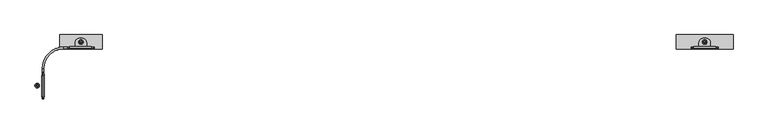
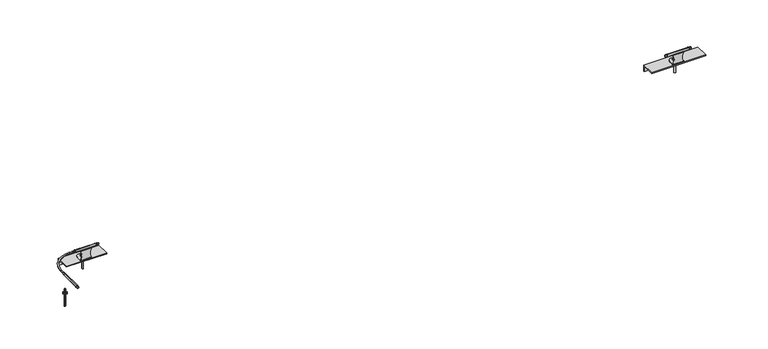
"""IFC4 building model written with IfcOpenShell, lengths in millimetres: proxy geometry."""

from ifc_helpers import new_model, si_unit, point, frame, frame_2d, origin, place, context, project, spatial, polyline, circle_curve, ellipse_curve, trimmed, segment, composite_curve, outline, extrude, source, transform, mapped, element, save
from ifc_brep_helpers import plane_surface, cylinder_surface, revolved_surface, advanced_brep


def specialty_equipment_e9bf692a(model_context):
    return source(origin(), model_context, "Body", "SolidModel", [
        advanced_brep(
        [(92.5, -361.4999054, 1795.0), (92.5, -361.4999054, 1805.0), (92.5, -171.5000946, 1805.0), (92.5, -171.5000946, 1795.0), (92.5, -190.4058632, 1807.2256681), (92.5, -190.4058632, 1792.7743319), (92.5, -195.082539, 1792.5), (92.5, -195.082539, 1807.5), (92.5, -344.8711836, 1807.5), (92.5, -344.8711836, 1792.5), (92.5, -352.5726269, 1793.2484042), (92.5, -352.5726269, 1806.7515958)],
        [
            (0, 1, circle_curve(frame((92.5, -361.4999054, 1800.0), z_axis=(0.0, -1.0, 0.0), x_axis=(0.0, 0.0, 1.0)), 5.0)),
            (1, 2),
            (2, 3, circle_curve(frame((92.5, -171.5000946, 1800.0), z_axis=(0.0, 1.0, 0.0), x_axis=(0.0, 0.0, 1.0)), 5.0)),
            (3, 0),
            (2, 4),
            (4, 5, circle_curve(frame((92.5, -190.4058632, 1800.0), z_axis=(0.0, 1.0, 0.0), x_axis=(0.0, 0.0, 1.0)), 7.2256681)),
            (5, 3),
            (6, 7, circle_curve(frame((92.5, -195.082539, 1800.0), z_axis=(0.0, -1.0, 0.0), x_axis=(0.0, 0.0, 1.0)), 7.5)),
            (7, 8),
            (8, 9, circle_curve(frame((92.5, -344.8711836, 1800.0), z_axis=(0.0, 1.0, 0.0), x_axis=(0.0, 0.0, 1.0)), 7.5)),
            (9, 6),
            (10, 11, circle_curve(frame((92.5, -352.5726269, 1800.0), z_axis=(0.0, -1.0, 0.0), x_axis=(0.0, 0.0, 1.0)), 6.7515958)),
            (11, 1),
            (0, 10),
            (4, 7, circle_curve(frame((92.5, -195.082539, 1767.5), z_axis=(1.0, 0.0, 0.0), x_axis=(0.0, 0.0, -1.0)), 40.0)),
            (6, 5, circle_curve(frame((92.5, -195.082539, 1832.5), z_axis=(1.0, 0.0, 0.0), x_axis=(0.0, 0.0, 1.0)), 40.0)),
            (8, 11, circle_curve(frame((92.5, -344.8711836, 1767.5), z_axis=(1.0, 0.0, 0.0), x_axis=(0.0, 0.0, -1.0)), 40.0)),
            (10, 9, circle_curve(frame((92.5, -344.8711836, 1832.5), z_axis=(1.0, 0.0, 0.0), x_axis=(0.0, 0.0, 1.0)), 40.0)),
            (1, 0, circle_curve(frame((92.5, -361.4999054, 1800.0), z_axis=(0.0, -1.0, 0.0), x_axis=(0.0, 0.0, 1.0)), 5.0)),
            (3, 2, circle_curve(frame((92.5, -171.5000946, 1800.0), z_axis=(0.0, 1.0, 0.0), x_axis=(0.0, 0.0, 1.0)), 5.0)),
            (5, 4, circle_curve(frame((92.5, -190.4058632, 1800.0), z_axis=(0.0, 1.0, 0.0), x_axis=(0.0, 0.0, 1.0)), 7.2256681)),
            (7, 6, circle_curve(frame((92.5, -195.082539, 1800.0), z_axis=(0.0, -1.0, 0.0), x_axis=(0.0, 0.0, 1.0)), 7.5)),
            (9, 8, circle_curve(frame((92.5, -344.8711836, 1800.0), z_axis=(0.0, 1.0, 0.0), x_axis=(0.0, 0.0, 1.0)), 7.5)),
            (11, 10, circle_curve(frame((92.5, -352.5726269, 1800.0), z_axis=(0.0, -1.0, 0.0), x_axis=(0.0, 0.0, 1.0)), 6.7515958)),
        ],
        [
            revolved_surface(polyline([(92.5, -171.5000946, 1805.0), (92.5, -361.4999054, 1805.0)]), (92.5, -361.5, 1800.0), (0.0, 1.0, 0.0)),
            revolved_surface(polyline([(92.5, -190.4058632, 1807.2256681), (92.5, -171.5000946, 1805.0)]), (92.5, -361.5, 1800.0), (0.0, 1.0, 0.0)),
            cylinder_surface(frame((92.5, -361.5, 1800.0), z_axis=(0.0, 1.0, 0.0), x_axis=(0.0, 0.0, 1.0)), 7.5),
            revolved_surface(polyline([(92.5, -361.4999054, 1805.0), (92.5, -352.5726269, 1806.7515958)]), (92.5, -361.5, 1800.0), (0.0, 1.0, 0.0)),
            revolved_surface(trimmed(ellipse_curve(frame((92.5, -195.082539, 1767.5), z_axis=(-1.0, 0.0, 0.0), x_axis=(0.0, 0.0, -1.0)), 40.0, 40.0), [point((92.5, -195.082539, 1807.5))], [point((92.5, -190.4058632, 1807.2256681))], True, "CARTESIAN"), (92.5, -361.5, 1800.0), (0.0, 1.0, 0.0)),
            revolved_surface(trimmed(ellipse_curve(frame((92.5, -344.8711836, 1767.5), z_axis=(-1.0, 0.0, 0.0), x_axis=(0.0, 0.0, -1.0)), 40.0, 40.0), [point((92.5, -352.5726269, 1806.7515958))], [point((92.5, -344.8711836, 1807.5))], True, "CARTESIAN"), (92.5, -361.5, 1800.0), (0.0, 1.0, 0.0)),
        ],
        [
            (0, [[1, 2, 3, 4]]),
            (1, [[-3, 5, 6, 7]]),
            (2, [[8, 9, 10, 11]]),
            (3, [[12, 13, -1, 14]]),
            (4, [[-6, 15, -8, 16]]),
            (5, [[-10, 17, -12, 18]]),
            (0, [[19, -4, 20, -2]]),
            (1, [[-20, -7, 21, -5]]),
            (2, [[22, -11, 23, -9]]),
            (3, [[24, -14, -19, -13]]),
            (4, [[-21, -16, -22, -15]]),
            (5, [[-23, -18, -24, -17]]),
        ],
    ),
        extrude(outline(polyline([(51.3621625, -274.5829038), (44.3621625, -270.5414519), (44.3621625, -262.4585481), (51.3621625, -258.4170962), (58.3621625, -262.4585481), (58.3621625, -270.5414519), (51.3621625, -274.5829038)]), holes=[composite_curve([segment(trimmed(circle_curve(frame_2d((51.3621625, -266.5)), 6.0), [point((57.3621625, -266.5))], [point((45.3621625, -266.5))], True, "CARTESIAN"), True, "CONTINUOUS"), segment(trimmed(circle_curve(frame_2d((51.3621625, -266.5)), 6.0), [point((45.3621625, -266.5))], [point((57.3621625, -266.5))], True, "CARTESIAN"), True, "CONTINUOUS")], self_intersect=False)]), frame((0.0, 0.0, 1720.0), z_axis=(0.0, 0.0, 1.0), x_axis=(1.0, 0.0, 0.0)), (0.0, 0.0, 1.0), 6.0),
        extrude(outline(composite_curve([segment(trimmed(circle_curve(frame_2d((51.3621625, -266.5)), 9.0), [point((60.3621625, -266.5))], [point((42.3621625, -266.5))], False, "CARTESIAN"), True, "CONTINUOUS"), segment(trimmed(circle_curve(frame_2d((51.3621625, -266.5)), 9.0), [point((42.3621625, -266.5))], [point((60.3621625, -266.5))], False, "CARTESIAN"), True, "CONTINUOUS")], self_intersect=False), holes=[composite_curve([segment(trimmed(circle_curve(frame_2d((51.3621625, -266.5)), 6.0), [point((57.3621625, -266.5))], [point((45.3621625, -266.5))], True, "CARTESIAN"), True, "CONTINUOUS"), segment(trimmed(circle_curve(frame_2d((51.3621625, -266.5)), 6.0), [point((45.3621625, -266.5))], [point((57.3621625, -266.5))], True, "CARTESIAN"), True, "CONTINUOUS")], self_intersect=False)]), frame((0.0, 0.0, 1717.0), z_axis=(0.0, 0.0, 1.0), x_axis=(1.0, 0.0, 0.0)), (0.0, 0.0, 1.0), 3.0),
        extrude(outline(composite_curve([segment(trimmed(circle_curve(frame_2d((51.3621625, -266.5)), 16.0), [point((67.3621625, -266.5))], [point((35.3621625, -266.5))], False, "CARTESIAN"), True, "CONTINUOUS"), segment(trimmed(circle_curve(frame_2d((51.3621625, -266.5)), 16.0), [point((35.3621625, -266.5))], [point((67.3621625, -266.5))], False, "CARTESIAN"), True, "CONTINUOUS")], self_intersect=False), holes=[composite_curve([segment(trimmed(circle_curve(frame_2d((51.3621625, -266.5)), 6.0), [point((57.3621625, -266.5))], [point((45.3621625, -266.5))], True, "CARTESIAN"), True, "CONTINUOUS"), segment(trimmed(circle_curve(frame_2d((51.3621625, -266.5)), 6.0), [point((45.3621625, -266.5))], [point((57.3621625, -266.5))], True, "CARTESIAN"), True, "CONTINUOUS")], self_intersect=False)]), frame((0.0, 0.0, 1714.0), z_axis=(0.0, 0.0, 1.0), x_axis=(1.0, 0.0, 0.0)), (0.0, 0.0, 1.0), 3.0),
        advanced_brep(
        [(51.3621625, -272.5, 1744.5), (51.3621625, -260.5, 1744.5), (51.3621625, -266.5, 1744.5), (51.3621625, -272.5, 1614.5), (51.3621625, -260.5, 1614.5), (51.3621625, -266.5, 1614.5)],
        [
            (0, 1, circle_curve(frame((51.3621625, -266.5, 1744.5), z_axis=(0.0, 0.0, 1.0), x_axis=(0.0, 1.0, 0.0)), 6.0)),
            (1, 2),
            (2, 0),
            (3, 4, circle_curve(frame((51.3621625, -266.5, 1614.5), z_axis=(0.0, 0.0, 1.0), x_axis=(0.0, 1.0, 0.0)), 6.0)),
            (4, 1),
            (0, 3),
            (4, 3, circle_curve(frame((51.3621625, -266.5, 1614.5), z_axis=(0.0, 0.0, 1.0), x_axis=(0.0, 1.0, 0.0)), 6.0)),
            (0, 1, circle_curve(frame((51.3621625, -266.5, 1744.5), z_axis=(0.0, 0.0, -1.0), x_axis=(0.0, 1.0, 0.0)), 6.0)),
            (5, 4),
            (3, 5),
        ],
        [
            plane_surface(frame((51.3621625, -266.5, 1744.5), z_axis=(0.0, 0.0, 1.0), x_axis=(0.0, 1.0, 0.0))),
            cylinder_surface(frame((51.3621625, -266.5, 1663.5), z_axis=(0.0, 0.0, -1.0), x_axis=(0.0, 1.0, 0.0)), 6.0),
            plane_surface(frame((51.3621625, -266.5, 1614.5), z_axis=(0.0, 0.0, -1.0), x_axis=(0.0, 1.0, 0.0))),
        ],
        [
            (0, [[1, 2, 3]]),
            (1, [[4, 5, -1, 6]]),
            (1, [[7, -6, 8, -5]]),
            (0, [[-8, -3, -2]]),
            (2, [[9, -4, 10]]),
            (2, [[-10, -7, -9]]),
        ],
    ),
        advanced_brep(
        [(87.5, -146.5000946, 1800.0), (97.5, -146.5000946, 1800.0), (97.5, -171.5000946, 1800.0), (87.5, -171.5000946, 1800.0), (264.0001892, -5.0, 1800.0), (264.0001892, 5.0, 1800.0), (239.0000946, 5.0, 1800.0), (239.0000946, -5.0, 1800.0)],
        [
            (0, 1, circle_curve(frame((92.5, -146.5000946, 1800.0), z_axis=(0.0, -1.0, 0.0), x_axis=(-1.0, 0.0, 0.0)), 5.0)),
            (1, 2),
            (2, 3, circle_curve(frame((92.5, -171.5000946, 1800.0), z_axis=(0.0, 1.0, 0.0), x_axis=(-1.0, 0.0, 0.0)), 5.0)),
            (3, 0),
            (4, 5, circle_curve(frame((264.0001892, 0.0, 1800.0), z_axis=(1.0, 0.0, 0.0), x_axis=(0.0, 1.0, 0.0)), 5.0)),
            (5, 4, circle_curve(frame((264.0001892, 0.0, 1800.0), z_axis=(1.0, 0.0, 0.0), x_axis=(0.0, 1.0, 0.0)), 5.0)),
            (5, 6),
            (6, 7, circle_curve(frame((239.0000946, 0.0, 1800.0), z_axis=(1.0, 0.0, 0.0), x_axis=(0.0, 1.0, 0.0)), 5.0)),
            (7, 4),
            (7, 6, circle_curve(frame((239.0000946, 0.0, 1800.0), z_axis=(1.0, 0.0, 0.0), x_axis=(0.0, 1.0, 0.0)), 5.0)),
            (1, 7, circle_curve(frame((239.0000946, -146.5000946, 1800.0), z_axis=(0.0, 0.0, -1.0), x_axis=(0.0, 1.0, 0.0)), 141.5000946)),
            (6, 0, circle_curve(frame((239.0000946, -146.5000946, 1800.0), z_axis=(0.0, 0.0, 1.0), x_axis=(0.0, 1.0, 0.0)), 151.5000946)),
            (0, 1, circle_curve(frame((92.5, -146.5000946, 1800.0), z_axis=(0.0, 1.0, 0.0), x_axis=(-1.0, 0.0, 0.0)), 5.0)),
            (2, 3, circle_curve(frame((92.5, -171.5000946, 1800.0), z_axis=(0.0, -1.0, 0.0), x_axis=(-1.0, 0.0, 0.0)), 5.0)),
        ],
        [
            cylinder_surface(frame((92.5, -146.5000946, 1800.0), z_axis=(0.0, 1.0, 0.0), x_axis=(-1.0, 0.0, 0.0)), 5.0),
            plane_surface(frame((264.0001892, 0.0, 1711.0), z_axis=(1.0, 0.0, 0.0), x_axis=(0.0, 0.0, -1.0))),
            cylinder_surface(frame((264.0001892, 0.0, 1800.0), z_axis=(1.0, 0.0, 0.0), x_axis=(0.0, 1.0, 0.0)), 5.0),
            revolved_surface(trimmed(ellipse_curve(frame((239.0000946, 0.0, 1800.0), z_axis=(1.0, 0.0, 0.0), x_axis=(0.0, 1.0, 0.0)), 5.0, 5.0), [point((239.0000946, 5.0, 1800.0))], [point((239.0000946, -5.0, 1800.0))], True, "CARTESIAN"), (239.0000946, -146.5000946, 1711.0), (0.0, 0.0, 1.0)),
            revolved_surface(trimmed(ellipse_curve(frame((239.0000946, 0.0, 1800.0), z_axis=(1.0, 0.0, 0.0), x_axis=(0.0, 1.0, 0.0)), 5.0, 5.0), [point((239.0000946, -5.0, 1800.0))], [point((239.0000946, 5.0, 1800.0))], True, "CARTESIAN"), (239.0000946, -146.5000946, 1711.0), (0.0, 0.0, 1.0)),
            plane_surface(frame((92.5, -171.5000946, 1711.0), z_axis=(0.0, -1.0, 0.0), x_axis=(0.0, 0.0, -1.0))),
        ],
        [
            (0, [[1, 2, 3, 4]]),
            (1, [[5, 6]]),
            (2, [[-6, 7, 8, 9]]),
            (2, [[-5, -9, 10, -7]]),
            (3, [[11, -8, 12, 13]]),
            (4, [[-12, -10, -11, -1]]),
            (5, [[14, -3]]),
            (0, [[-13, -4, -14, -2]]),
        ],
    ),
        advanced_brep(
        [(209.0000946, 86.5, 1661.0), (209.0000946, 92.5, 1661.0), (509.0, 92.5, 1661.0), (509.0, 86.5, 1661.0), (209.0000946, 86.5, 1705.0), (509.0, 86.5, 1705.0), (209.0000946, -7.5, 1705.0), (509.0, -7.5, 1705.0), (365.0000946, 41.1378375, 1705.0), (353.0000946, 41.1378375, 1705.0), (209.0000946, 92.5, 1711.0), (209.0000946, -7.5, 1711.0), (509.0, -7.5, 1711.0), (509.0, 92.5, 1711.0), (353.0000946, 41.1378375, 1711.0), (365.0000946, 41.1378375, 1711.0), (365.0000946, 41.1378375, 1744.5), (353.0000946, 41.1378375, 1744.5), (359.0000946, 41.1378375, 1744.5), (353.0000946, 41.1378375, 1614.5), (365.0000946, 41.1378375, 1614.5), (359.0000946, 41.1378375, 1614.5)],
        [
            (0, 1),
            (1, 2),
            (2, 3),
            (3, 0),
            (4, 0),
            (3, 5),
            (5, 4),
            (6, 4),
            (5, 7),
            (7, 6),
            (8, 9, circle_curve(frame((359.0000946, 41.1378375, 1705.0), z_axis=(0.0, 0.0, 1.0), x_axis=(1.0, 0.0, 0.0)), 6.0)),
            (9, 8, circle_curve(frame((359.0000946, 41.1378375, 1705.0), z_axis=(0.0, 0.0, 1.0), x_axis=(1.0, 0.0, 0.0)), 6.0)),
            (10, 11),
            (11, 12),
            (12, 13),
            (13, 10),
            (14, 15, circle_curve(frame((359.0000946, 41.1378375, 1711.0), z_axis=(0.0, 0.0, -1.0), x_axis=(1.0, 0.0, 0.0)), 6.0)),
            (15, 14, circle_curve(frame((359.0000946, 41.1378375, 1711.0), z_axis=(0.0, 0.0, -1.0), x_axis=(1.0, 0.0, 0.0)), 6.0)),
            (16, 17, circle_curve(frame((359.0000946, 41.1378375, 1744.5), z_axis=(0.0, 0.0, 1.0), x_axis=(1.0, 0.0, 0.0)), 6.0)),
            (17, 18),
            (18, 16),
            (19, 20, circle_curve(frame((359.0000946, 41.1378375, 1614.5), z_axis=(0.0, 0.0, -1.0), x_axis=(1.0, 0.0, 0.0)), 6.0)),
            (20, 21),
            (21, 19),
            (10, 1),
            (6, 11),
            (12, 7),
            (2, 13),
            (19, 9),
            (8, 20),
            (16, 15),
            (14, 17),
            (19, 20, circle_curve(frame((359.0000946, 41.1378375, 1614.5), z_axis=(0.0, 0.0, 1.0), x_axis=(1.0, 0.0, 0.0)), 6.0)),
            (16, 17, circle_curve(frame((359.0000946, 41.1378375, 1744.5), z_axis=(0.0, 0.0, -1.0), x_axis=(1.0, 0.0, 0.0)), 6.0)),
        ],
        [
            plane_surface(frame((209.0000946, 92.5, 1661.0), z_axis=(0.0, 0.0, -1.0), x_axis=(1.0, 0.0, 0.0))),
            plane_surface(frame((209.0000946, 86.5, 1661.0), z_axis=(0.0, -1.0, 0.0), x_axis=(1.0, 0.0, 0.0))),
            plane_surface(frame((209.0000946, 86.5, 1705.0), z_axis=(0.0, 0.0, -1.0), x_axis=(1.0, 0.0, 0.0))),
            plane_surface(frame((209.0000946, -7.5, 1711.0), z_axis=(0.0, 0.0, 1.0), x_axis=(1.0, 0.0, 0.0))),
            plane_surface(frame((359.0000946, 41.1378375, 1744.5), z_axis=(0.0, 0.0, 1.0), x_axis=(1.0, 0.0, 0.0))),
            plane_surface(frame((359.0000946, 41.1378375, 1614.5), z_axis=(0.0, 0.0, -1.0), x_axis=(1.0, 0.0, 0.0))),
            plane_surface(frame((209.0000946, 171.5, 1711.0), z_axis=(-1.0, 0.0, 0.0), x_axis=(0.0, 1.0, 0.0))),
            plane_surface(frame((509.0, 171.5, 1711.0), z_axis=(1.0, 0.0, 0.0), x_axis=(0.0, 1.0, 0.0))),
            plane_surface(frame((209.0000946, 92.5, 1711.0), z_axis=(0.0, 1.0, 0.0), x_axis=(1.0, 0.0, 0.0))),
            plane_surface(frame((209.0000946, -7.5, 1705.0), z_axis=(0.0, -1.0, 0.0), x_axis=(1.0, 0.0, 0.0))),
            cylinder_surface(frame((359.0000946, 41.1378375, 1663.5), z_axis=(0.0, 0.0, 1.0), x_axis=(1.0, 0.0, 0.0)), 6.0),
        ],
        [
            (0, [[1, 2, 3, 4]]),
            (1, [[5, -4, 6, 7]]),
            (2, [[8, -7, 9, 10], [11, 12]]),
            (3, [[13, 14, 15, 16], [17, 18]]),
            (4, [[19, 20, 21]]),
            (5, [[22, 23, 24]]),
            (6, [[25, -1, -5, -8, 26, -13]]),
            (7, [[-15, 27, -9, -6, -3, 28]]),
            (8, [[-25, -16, -28, -2]]),
            (9, [[-26, -10, -27, -14]]),
            (10, [[-22, 29, -11, 30]]),
            (10, [[-19, 31, -17, 32]]),
            (10, [[33, -30, -12, -29]]),
            (10, [[34, -32, -18, -31]]),
            (4, [[-34, -21, -20]]),
            (5, [[-33, -24, -23]]),
        ],
    ),
        advanced_brep(
        [(399.0000946, 0.5, 1784.6941216), (399.0000946, 0.6809221, 1785.720182), (399.0000946, 3.2661501, 1793.2485362), (399.0000946, 0.0, 1792.5), (399.0000946, -4.5590953, 1794.0447796), (399.0000946, -2.6809221, 1785.720182), (399.0000946, -2.5, 1784.6941216), (399.0000946, -2.5, 1783.6261276), (399.0000946, 0.5, 1783.6261276), (399.0000946, 3.5, 1714.0), (399.0000946, 0.5, 1717.0), (399.0000946, -2.5, 1717.0), (399.0000946, -2.5, 1714.0), (399.0000946, 0.5, 1711.0), (399.0000946, 37.5, 1711.0), (399.0000946, 37.5, 1714.0), (319.0000946, -2.5, 1714.0), (319.0000946, -2.5, 1784.6941216), (319.0000946, -2.5, 1783.6261276), (319.0000946, -2.5, 1717.0), (319.0000946, 3.5, 1714.0), (369.0000946, 67.5, 1714.0), (349.0000946, 67.5, 1714.0), (319.0000946, 37.5, 1714.0), (319.0000946, -2.6809221, 1785.720182), (319.0000946, 0.5, 1784.6941216), (319.0000946, 0.6809221, 1785.720182), (319.0000946, 3.2661501, 1793.2485362), (319.0000946, 0.0, 1792.5), (319.0000946, -4.5590953, 1794.0447796), (369.0000946, 67.5, 1711.0), (319.0000946, 0.5, 1783.6261276), (319.0000946, 0.5, 1717.0), (319.0000946, 0.5, 1711.0), (319.0000946, 37.5, 1711.0), (349.0000946, 67.5, 1711.0)],
        [
            (0, 1, circle_curve(frame((399.0000946, 3.5, 1784.6941216), z_axis=(-1.0, 0.0, 0.0), x_axis=(0.0, 0.0, 1.0)), 3.0)),
            (1, 2),
            (2, 3, circle_curve(frame((399.0000946, 0.0, 1800.0), z_axis=(-1.0, 0.0, 0.0), x_axis=(0.0, 0.0, 1.0)), 7.5)),
            (3, 4, circle_curve(frame((399.0000946, 0.0, 1800.0), z_axis=(-1.0, 0.0, 0.0), x_axis=(0.0, 0.0, 1.0)), 7.5)),
            (4, 5),
            (5, 6, circle_curve(frame((399.0000946, -5.5, 1784.6941216), z_axis=(-1.0, 0.0, 0.0), x_axis=(0.0, 0.0, 1.0)), 3.0)),
            (6, 7),
            (7, 8),
            (8, 0),
            (9, 10, circle_curve(frame((399.0000946, 3.5, 1717.0), z_axis=(-1.0, 0.0, 0.0), x_axis=(0.0, 0.0, 1.0)), 3.0)),
            (10, 11),
            (11, 12),
            (12, 13, circle_curve(frame((399.0000946, 0.5, 1714.0), z_axis=(1.0, 0.0, 0.0), x_axis=(0.0, 0.0, 1.0)), 3.0)),
            (13, 14),
            (14, 15),
            (15, 9),
            (16, 12),
            (11, 7, circle_curve(frame((454.5704259, -2.5, 1750.3130638), z_axis=(0.0, 1.0, 0.0), x_axis=(0.0, 0.0, -1.0)), 64.7906007)),
            (6, 17),
            (17, 18),
            (18, 19, circle_curve(frame((263.4297633, -2.5, 1750.3130638), z_axis=(0.0, 1.0, 0.0), x_axis=(0.0, 0.0, -1.0)), 64.7906007)),
            (19, 16),
            (20, 9),
            (15, 21, circle_curve(frame((369.0000946, 37.5, 1714.0), z_axis=(0.0, 0.0, 1.0), x_axis=(0.0, 1.0, 0.0)), 30.0)),
            (21, 22),
            (22, 23, circle_curve(frame((349.0000946, 37.5, 1714.0), z_axis=(0.0, 0.0, 1.0), x_axis=(0.0, 1.0, 0.0)), 30.0)),
            (23, 20),
            (5, 24),
            (24, 17, circle_curve(frame((319.0000946, -5.5, 1784.6941216), z_axis=(-1.0, 0.0, 0.0), x_axis=(0.0, 0.0, 1.0)), 3.0)),
            (0, 25),
            (25, 26, circle_curve(frame((319.0000946, 3.5, 1784.6941216), z_axis=(-1.0, 0.0, 0.0), x_axis=(0.0, 0.0, 1.0)), 3.0)),
            (26, 1),
            (2, 27),
            (27, 28, circle_curve(frame((319.0000946, 0.0, 1800.0), z_axis=(-1.0, 0.0, 0.0), x_axis=(0.0, 0.0, 1.0)), 7.5)),
            (28, 3),
            (28, 29, circle_curve(frame((319.0000946, 0.0, 1800.0), z_axis=(-1.0, 0.0, 0.0), x_axis=(0.0, 0.0, 1.0)), 7.5)),
            (29, 4),
            (29, 24),
            (14, 30, circle_curve(frame((369.0000946, 37.5, 1711.0), z_axis=(0.0, 0.0, 1.0), x_axis=(0.0, 1.0, 0.0)), 30.0)),
            (30, 21),
            (10, 8, circle_curve(frame((454.5704259, 0.5, 1750.3130638), z_axis=(0.0, 1.0, 0.0), x_axis=(0.0, 0.0, -1.0)), 64.7906007)),
            (18, 31),
            (31, 32, circle_curve(frame((263.4297633, 0.5, 1750.3130638), z_axis=(0.0, 1.0, 0.0), x_axis=(0.0, 0.0, -1.0)), 64.7906007)),
            (32, 19),
            (33, 16, circle_curve(frame((319.0000946, 0.5, 1714.0), z_axis=(-1.0, 0.0, 0.0), x_axis=(0.0, 0.0, 1.0)), 3.0)),
            (32, 20, circle_curve(frame((319.0000946, 3.5, 1717.0), z_axis=(1.0, 0.0, 0.0), x_axis=(0.0, 0.0, 1.0)), 3.0)),
            (23, 34),
            (34, 33),
            (27, 26),
            (25, 31),
            (33, 13),
            (32, 10),
            (30, 35),
            (35, 22),
            (34, 35, circle_curve(frame((349.0000946, 37.5, 1711.0), z_axis=(0.0, 0.0, -1.0), x_axis=(0.0, 1.0, 0.0)), 30.0)),
        ],
        [
            plane_surface(frame((399.0000946, 67.5, 1711.0), z_axis=(1.0, 0.0, 0.0), x_axis=(0.0, 1.0, 0.0))),
            plane_surface(frame((399.0000946, -2.5, 1784.6941216), z_axis=(0.0, -1.0, 0.0), x_axis=(-1.0, 0.0, 0.0))),
            plane_surface(frame((399.0000946, 67.5, 1714.0), z_axis=(0.0, 0.0, 1.0), x_axis=(-1.0, 0.0, 0.0))),
            revolved_surface(polyline([(319.0000946, -5.5, 1787.6941216), (399.0000946, -5.5, 1787.6941216)]), (319.0000946, -5.5, 1784.6941216), (-1.0, 0.0, 0.0)),
            revolved_surface(polyline([(319.0000946, 3.5, 1787.6941216), (399.0000946, 3.5, 1787.6941216)]), (319.0000946, 3.5, 1784.6941216), (-1.0, 0.0, 0.0)),
            revolved_surface(polyline([(319.0000946, 0.0, 1807.5), (399.0000946, 0.0, 1807.5)]), (319.0000946, 0.0, 1800.0), (-1.0, 0.0, 0.0)),
            plane_surface(frame((399.0000946, -4.5590953, 1794.0447796), z_axis=(0.0, -0.9754806304250292, -0.22008530088487915), x_axis=(-1.0, 0.0, 0.0))),
            cylinder_surface(frame((369.0000946, 37.5, 1711.0), z_axis=(0.0, 0.0, -1.0), x_axis=(0.0, 1.0, 0.0)), 30.0),
            revolved_surface(polyline([(454.5704259, 0.5, 1685.5224631), (454.5704259, -2.5, 1685.5224631)]), (454.5704259, -2.5, 1750.3130638), (0.0, 1.0, 0.0)),
            revolved_surface(polyline([(263.4297633, 0.5, 1685.5224631), (263.4297633, -2.5, 1685.5224631)]), (263.4297633, 0.5, 1750.3130638), (0.0, 1.0, 0.0)),
            plane_surface(frame((319.0000946, 67.5, 1711.0), z_axis=(-1.0, 0.0, 0.0), x_axis=(0.0, -1.0, 0.0))),
            cylinder_surface(frame((319.0000946, 0.5, 1714.0), z_axis=(1.0, 0.0, 0.0), x_axis=(0.0, 0.0, 1.0)), 3.0),
            revolved_surface(polyline([(319.0000946, 3.5, 1720.0), (399.0000946, 3.5, 1720.0)]), (319.0000946, 3.5, 1717.0), (-1.0, 0.0, 0.0)),
            plane_surface(frame((399.0000946, 67.5, 1711.0), z_axis=(0.0, 1.0, 0.0), x_axis=(-1.0, 0.0, 0.0))),
            plane_surface(frame((399.0000946, 0.5, 1711.0), z_axis=(0.0, 0.0, -1.0), x_axis=(-1.0, 0.0, 0.0))),
            plane_surface(frame((399.0000946, 0.5, 1717.0), z_axis=(0.0, 1.0, 0.0), x_axis=(-1.0, 0.0, 0.0))),
            plane_surface(frame((399.0000946, 0.6809221, 1785.720182), z_axis=(0.0, 0.9457886598207119, -0.32478271344783977), x_axis=(-1.0, 0.0, 0.0))),
            cylinder_surface(frame((349.0000946, 37.5, 1714.0), z_axis=(0.0, 0.0, -1.0), x_axis=(0.0, 1.0, 0.0)), 30.0),
        ],
        [
            (0, [[1, 2, 3, 4, 5, 6, 7, 8, 9]]),
            (0, [[10, 11, 12, 13, 14, 15, 16]]),
            (1, [[17, -12, 18, -7, 19, 20, 21, 22]]),
            (2, [[23, -16, 24, 25, 26, 27]]),
            (3, [[-6, 28, 29, -19]]),
            (4, [[-1, 30, 31, 32]]),
            (5, [[-3, 33, 34, 35]]),
            (5, [[-4, -35, 36, 37]]),
            (6, [[-5, -37, 38, -28]]),
            (7, [[-15, 39, 40, -24]]),
            (8, [[-11, 41, -8, -18]]),
            (9, [[42, 43, 44, -21]]),
            (10, [[45, -22, -44, 46, -27, 47, 48]]),
            (10, [[-29, -38, -36, -34, 49, -31, 50, -42, -20]]),
            (11, [[-13, -17, -45, 51]]),
            (12, [[-10, -23, -46, 52]]),
            (13, [[-25, -40, 53, 54]]),
            (14, [[-51, -48, 55, -53, -39, -14]]),
            (15, [[-52, -43, -50, -30, -9, -41]]),
            (16, [[-2, -32, -49, -33]]),
            (17, [[-47, -26, -54, -55]]),
        ],
    ),
        advanced_brep(
        [(454.0, 0.0, 1795.0), (454.0, 0.0, 1805.0), (264.0001892, 0.0, 1805.0), (264.0001892, 0.0, 1795.0), (435.0942314, 0.0, 1792.7743319), (435.0942314, 0.0, 1807.2256681), (280.628911, 0.0, 1792.5), (280.628911, 0.0, 1807.5), (430.4175556, 0.0, 1807.5), (430.4175556, 0.0, 1792.5), (272.9274677, 0.0, 1806.7515958), (272.9274677, 0.0, 1793.2484042)],
        [
            (0, 1, circle_curve(frame((454.0, 0.0, 1800.0), z_axis=(1.0, 0.0, 0.0), x_axis=(0.0, 0.0, 1.0)), 5.0)),
            (1, 2),
            (2, 3, circle_curve(frame((264.0001892, 0.0, 1800.0), z_axis=(-1.0, 0.0, 0.0), x_axis=(0.0, 0.0, 1.0)), 5.0)),
            (3, 0),
            (4, 5, circle_curve(frame((435.0942314, 0.0, 1800.0), z_axis=(1.0, 0.0, 0.0), x_axis=(0.0, 0.0, 1.0)), 7.2256681)),
            (5, 1),
            (0, 4),
            (6, 7, circle_curve(frame((280.628911, 0.0, 1800.0), z_axis=(1.0, 0.0, 0.0), x_axis=(0.0, 0.0, 1.0)), 7.5)),
            (7, 8),
            (8, 9, circle_curve(frame((430.4175556, 0.0, 1800.0), z_axis=(-1.0, 0.0, 0.0), x_axis=(0.0, 0.0, 1.0)), 7.5)),
            (9, 6),
            (2, 10),
            (10, 11, circle_curve(frame((272.9274677, 0.0, 1800.0), z_axis=(-1.0, 0.0, 0.0), x_axis=(0.0, 0.0, 1.0)), 6.7515958)),
            (11, 3),
            (8, 5, circle_curve(frame((430.4175556, 0.0, 1767.5), z_axis=(0.0, 1.0, 0.0), x_axis=(0.0, 0.0, 1.0)), 40.0)),
            (4, 9, circle_curve(frame((430.4175556, 0.0, 1832.5), z_axis=(0.0, 1.0, 0.0), x_axis=(0.0, 0.0, -1.0)), 40.0)),
            (10, 7, circle_curve(frame((280.628911, 0.0, 1767.5), z_axis=(0.0, 1.0, 0.0), x_axis=(0.0, 0.0, 1.0)), 40.0)),
            (6, 11, circle_curve(frame((280.628911, 0.0, 1832.5), z_axis=(0.0, 1.0, 0.0), x_axis=(0.0, 0.0, -1.0)), 40.0)),
            (1, 0, circle_curve(frame((454.0, 0.0, 1800.0), z_axis=(1.0, 0.0, 0.0), x_axis=(0.0, 0.0, 1.0)), 5.0)),
            (3, 2, circle_curve(frame((264.0001892, 0.0, 1800.0), z_axis=(-1.0, 0.0, 0.0), x_axis=(0.0, 0.0, 1.0)), 5.0)),
            (5, 4, circle_curve(frame((435.0942314, 0.0, 1800.0), z_axis=(1.0, 0.0, 0.0), x_axis=(0.0, 0.0, 1.0)), 7.2256681)),
            (7, 6, circle_curve(frame((280.628911, 0.0, 1800.0), z_axis=(1.0, 0.0, 0.0), x_axis=(0.0, 0.0, 1.0)), 7.5)),
            (9, 8, circle_curve(frame((430.4175556, 0.0, 1800.0), z_axis=(-1.0, 0.0, 0.0), x_axis=(0.0, 0.0, 1.0)), 7.5)),
            (11, 10, circle_curve(frame((272.9274677, 0.0, 1800.0), z_axis=(-1.0, 0.0, 0.0), x_axis=(0.0, 0.0, 1.0)), 6.7515958)),
        ],
        [
            revolved_surface(polyline([(264.0001892, 0.0, 1805.0), (454.0, 0.0, 1805.0)]), (264.0000946, 0.0, 1800.0), (-1.0, 0.0, 0.0)),
            revolved_surface(polyline([(454.0, 0.0, 1805.0), (435.0942314, 0.0, 1807.2256681)]), (264.0000946, 0.0, 1800.0), (-1.0, 0.0, 0.0)),
            cylinder_surface(frame((264.0000946, 0.0, 1800.0), z_axis=(-1.0, 0.0, 0.0), x_axis=(0.0, 0.0, 1.0)), 7.5),
            revolved_surface(polyline([(272.9274677, 0.0, 1806.7515958), (264.0001892, 0.0, 1805.0)]), (264.0000946, 0.0, 1800.0), (-1.0, 0.0, 0.0)),
            revolved_surface(trimmed(ellipse_curve(frame((430.4175556, 0.0, 1767.5), z_axis=(0.0, -1.0, 0.0), x_axis=(0.0, 0.0, 1.0)), 40.0, 40.0), [point((435.0942314, 0.0, 1807.2256681))], [point((430.4175556, 0.0, 1807.5))], True, "CARTESIAN"), (264.0000946, 0.0, 1800.0), (-1.0, 0.0, 0.0)),
            revolved_surface(trimmed(ellipse_curve(frame((280.628911, 0.0, 1767.5), z_axis=(0.0, -1.0, 0.0), x_axis=(0.0, 0.0, 1.0)), 40.0, 40.0), [point((280.628911, 0.0, 1807.5))], [point((272.9274677, 0.0, 1806.7515958))], True, "CARTESIAN"), (264.0000946, 0.0, 1800.0), (-1.0, 0.0, 0.0)),
        ],
        [
            (0, [[1, 2, 3, 4]]),
            (1, [[5, 6, -1, 7]]),
            (2, [[8, 9, 10, 11]]),
            (3, [[-3, 12, 13, 14]]),
            (4, [[-10, 15, -5, 16]]),
            (5, [[-13, 17, -8, 18]]),
            (0, [[19, -4, 20, -2]]),
            (1, [[21, -7, -19, -6]]),
            (2, [[22, -11, 23, -9]]),
            (3, [[-20, -14, 24, -12]]),
            (4, [[-23, -16, -21, -15]]),
            (5, [[-24, -18, -22, -17]]),
        ],
    ),
        extrude(outline(polyline([(350.9171908, 41.1378375), (354.9586427, 48.1378375), (363.0415465, 48.1378375), (367.0829984, 41.1378375), (363.0415465, 34.1378375), (354.9586427, 34.1378375), (350.9171908, 41.1378375)]), holes=[composite_curve([segment(trimmed(circle_curve(frame_2d((359.0000946, 41.1378375)), 6.0), [point((359.0000946, 35.1378375))], [point((359.0000946, 47.1378375))], True, "CARTESIAN"), True, "CONTINUOUS"), segment(trimmed(circle_curve(frame_2d((359.0000946, 41.1378375)), 6.0), [point((359.0000946, 47.1378375))], [point((359.0000946, 35.1378375))], True, "CARTESIAN"), True, "CONTINUOUS")], self_intersect=False)]), frame((0.0, 0.0, 1720.0), z_axis=(0.0, 0.0, 1.0), x_axis=(1.0, 0.0, 0.0)), (0.0, 0.0, 1.0), 6.0),
        extrude(outline(composite_curve([segment(trimmed(circle_curve(frame_2d((359.0000946, 41.1378375)), 9.0), [point((359.0000946, 32.1378375))], [point((359.0000946, 50.1378375))], False, "CARTESIAN"), True, "CONTINUOUS"), segment(trimmed(circle_curve(frame_2d((359.0000946, 41.1378375)), 9.0), [point((359.0000946, 50.1378375))], [point((359.0000946, 32.1378375))], False, "CARTESIAN"), True, "CONTINUOUS")], self_intersect=False), holes=[composite_curve([segment(trimmed(circle_curve(frame_2d((359.0000946, 41.1378375)), 6.0), [point((359.0000946, 35.1378375))], [point((359.0000946, 47.1378375))], True, "CARTESIAN"), True, "CONTINUOUS"), segment(trimmed(circle_curve(frame_2d((359.0000946, 41.1378375)), 6.0), [point((359.0000946, 47.1378375))], [point((359.0000946, 35.1378375))], True, "CARTESIAN"), True, "CONTINUOUS")], self_intersect=False)]), frame((0.0, 0.0, 1717.0), z_axis=(0.0, 0.0, 1.0), x_axis=(1.0, 0.0, 0.0)), (0.0, 0.0, 1.0), 3.0),
        extrude(outline(composite_curve([segment(trimmed(circle_curve(frame_2d((359.0000946, 41.1378375)), 16.0), [point((359.0000946, 25.1378375))], [point((359.0000946, 57.1378375))], False, "CARTESIAN"), True, "CONTINUOUS"), segment(trimmed(circle_curve(frame_2d((359.0000946, 41.1378375)), 16.0), [point((359.0000946, 57.1378375))], [point((359.0000946, 25.1378375))], False, "CARTESIAN"), True, "CONTINUOUS")], self_intersect=False), holes=[composite_curve([segment(trimmed(circle_curve(frame_2d((359.0000946, 41.1378375)), 6.0), [point((359.0000946, 35.1378375))], [point((359.0000946, 47.1378375))], True, "CARTESIAN"), True, "CONTINUOUS"), segment(trimmed(circle_curve(frame_2d((359.0000946, 41.1378375)), 6.0), [point((359.0000946, 47.1378375))], [point((359.0000946, 35.1378375))], True, "CARTESIAN"), True, "CONTINUOUS")], self_intersect=False)]), frame((0.0, 0.0, 1714.0), z_axis=(0.0, 0.0, 1.0), x_axis=(1.0, 0.0, 0.0)), (0.0, 0.0, 1.0), 3.0),
        advanced_brep(
        [(4550.0, 92.5, 1711.0), (4550.0, 92.5, 1661.0), (4550.0, 86.5, 1661.0), (4550.0, 86.5, 1705.0), (4550.0, -7.5, 1705.0), (4550.0, -7.5, 1711.0), (4950.0, 92.5, 1711.0), (4950.0, -7.5, 1711.0), (4950.0, -7.5, 1705.0), (4950.0, 86.5, 1705.0), (4950.0, 86.5, 1661.0), (4950.0, 92.5, 1661.0), (4756.0, 41.1378375, 1705.0), (4744.0, 41.1378375, 1705.0), (4744.0, 41.1378375, 1711.0), (4756.0, 41.1378375, 1711.0), (4756.0, 41.1378375, 1614.5), (4744.0, 41.1378375, 1614.5), (4744.0, 41.1378375, 1744.5), (4756.0, 41.1378375, 1744.5), (4750.0, 41.1378375, 1744.5), (4750.0, 41.1378375, 1614.5)],
        [
            (0, 1),
            (1, 2),
            (2, 3),
            (3, 4),
            (4, 5),
            (5, 0),
            (6, 7),
            (7, 8),
            (8, 9),
            (9, 10),
            (10, 11),
            (11, 6),
            (0, 6),
            (11, 1),
            (10, 2),
            (9, 3),
            (8, 4),
            (12, 13, circle_curve(frame((4750.0, 41.1378375, 1705.0), z_axis=(0.0, 0.0, 1.0), x_axis=(1.0, 0.0, 0.0)), 6.0)),
            (13, 12, circle_curve(frame((4750.0, 41.1378375, 1705.0), z_axis=(0.0, 0.0, 1.0), x_axis=(1.0, 0.0, 0.0)), 6.0)),
            (7, 5),
            (14, 15, circle_curve(frame((4750.0, 41.1378375, 1711.0), z_axis=(0.0, 0.0, -1.0), x_axis=(1.0, 0.0, 0.0)), 6.0)),
            (15, 14, circle_curve(frame((4750.0, 41.1378375, 1711.0), z_axis=(0.0, 0.0, -1.0), x_axis=(1.0, 0.0, 0.0)), 6.0)),
            (16, 17, circle_curve(frame((4750.0, 41.1378375, 1614.5), z_axis=(0.0, 0.0, 1.0), x_axis=(1.0, 0.0, 0.0)), 6.0)),
            (17, 13),
            (12, 16),
            (18, 19, circle_curve(frame((4750.0, 41.1378375, 1744.5), z_axis=(0.0, 0.0, -1.0), x_axis=(1.0, 0.0, 0.0)), 6.0)),
            (19, 15),
            (14, 18),
            (17, 16, circle_curve(frame((4750.0, 41.1378375, 1614.5), z_axis=(0.0, 0.0, 1.0), x_axis=(1.0, 0.0, 0.0)), 6.0)),
            (19, 18, circle_curve(frame((4750.0, 41.1378375, 1744.5), z_axis=(0.0, 0.0, -1.0), x_axis=(1.0, 0.0, 0.0)), 6.0)),
            (18, 20),
            (20, 19),
            (16, 21),
            (21, 17),
        ],
        [
            plane_surface(frame((4550.0, 92.5, 1711.0), z_axis=(-1.0, 0.0, 0.0), x_axis=(0.0, -1.0, 0.0))),
            plane_surface(frame((4950.0, 92.5, 1711.0), z_axis=(1.0, 0.0, 0.0), x_axis=(0.0, -1.0, 0.0))),
            plane_surface(frame((4550.0, 92.5, 1711.0), z_axis=(0.0, 1.0, 0.0), x_axis=(1.0, 0.0, 0.0))),
            plane_surface(frame((4550.0, 92.5, 1661.0), z_axis=(0.0, 0.0, -1.0), x_axis=(1.0, 0.0, 0.0))),
            plane_surface(frame((4550.0, 86.5, 1661.0), z_axis=(0.0, -1.0, 0.0), x_axis=(1.0, 0.0, 0.0))),
            plane_surface(frame((4550.0, 86.5, 1705.0), z_axis=(0.0, 0.0, -1.0), x_axis=(1.0, 0.0, 0.0))),
            plane_surface(frame((4550.0, -7.5, 1705.0), z_axis=(0.0, -1.0, 0.0), x_axis=(1.0, 0.0, 0.0))),
            plane_surface(frame((4550.0, -7.5, 1711.0), z_axis=(0.0, 0.0, 1.0), x_axis=(1.0, 0.0, 0.0))),
            cylinder_surface(frame((4750.0, 41.1378375, 1663.5), z_axis=(0.0, 0.0, 1.0), x_axis=(1.0, 0.0, 0.0)), 6.0),
            plane_surface(frame((4750.0, 41.1378375, 1744.5), z_axis=(0.0, 0.0, 1.0), x_axis=(1.0, 0.0, 0.0))),
            plane_surface(frame((4750.0, 41.1378375, 1614.5), z_axis=(0.0, 0.0, -1.0), x_axis=(1.0, 0.0, 0.0))),
        ],
        [
            (0, [[1, 2, 3, 4, 5, 6]]),
            (1, [[7, 8, 9, 10, 11, 12]]),
            (2, [[-1, 13, -12, 14]]),
            (3, [[-2, -14, -11, 15]]),
            (4, [[-3, -15, -10, 16]]),
            (5, [[-4, -16, -9, 17], [18, 19]]),
            (6, [[-5, -17, -8, 20]]),
            (7, [[-6, -20, -7, -13], [21, 22]]),
            (8, [[23, 24, -18, 25]]),
            (8, [[26, 27, -21, 28]]),
            (8, [[29, -25, -19, -24]]),
            (8, [[30, -28, -22, -27]]),
            (9, [[-26, 31, 32]]),
            (9, [[-30, -32, -31]]),
            (10, [[-23, 33, 34]]),
            (10, [[-29, -34, -33]]),
        ],
    ),
        advanced_brep(
        [(4790.0, 3.5, 1714.0), (4790.0, 0.5, 1717.0), (4790.0, -2.5, 1717.0), (4790.0, -2.5, 1714.0), (4790.0, 0.5, 1711.0), (4790.0, 37.5, 1711.0), (4790.0, 37.5, 1714.0), (4790.0, 0.5, 1784.6941216), (4790.0, 0.6809221, 1785.720182), (4790.0, 3.2661501, 1793.2485362), (4790.0, 0.0, 1792.5), (4790.0, -4.5590953, 1794.0447796), (4790.0, -2.6809221, 1785.720182), (4790.0, -2.5, 1784.6941216), (4790.0, -2.5, 1783.6261276), (4790.0, 0.5, 1783.6261276), (4710.0, 0.5, 1711.0), (4710.0, -2.5, 1714.0), (4710.0, -2.5, 1717.0), (4710.0, 0.5, 1717.0), (4710.0, 3.5, 1714.0), (4710.0, 37.5, 1714.0), (4710.0, 37.5, 1711.0), (4710.0, -2.5, 1784.6941216), (4710.0, -2.6809221, 1785.720182), (4710.0, -4.5590953, 1794.0447796), (4710.0, 0.0, 1792.5), (4710.0, 3.2661501, 1793.2485362), (4710.0, 0.6809221, 1785.720182), (4710.0, 0.5, 1784.6941216), (4710.0, 0.5, 1783.6261276), (4710.0, -2.5, 1783.6261276), (4760.0, 67.5, 1714.0), (4740.0, 67.5, 1714.0), (4760.0, 67.5, 1711.0), (4740.0, 67.5, 1711.0)],
        [
            (0, 1, circle_curve(frame((4790.0, 3.5, 1717.0), z_axis=(-1.0, 0.0, 0.0), x_axis=(0.0, 0.0, 1.0)), 3.0)),
            (1, 2),
            (2, 3),
            (3, 4, circle_curve(frame((4790.0, 0.5, 1714.0), z_axis=(1.0, 0.0, 0.0), x_axis=(0.0, 0.0, 1.0)), 3.0)),
            (4, 5),
            (5, 6),
            (6, 0),
            (7, 8, circle_curve(frame((4790.0, 3.5, 1784.6941216), z_axis=(-1.0, 0.0, 0.0), x_axis=(0.0, 0.0, 1.0)), 3.0)),
            (8, 9),
            (9, 10, circle_curve(frame((4790.0, 0.0, 1800.0), z_axis=(-1.0, 0.0, 0.0), x_axis=(0.0, 0.0, 1.0)), 7.5)),
            (10, 11, circle_curve(frame((4790.0, 0.0, 1800.0), z_axis=(-1.0, 0.0, 0.0), x_axis=(0.0, 0.0, 1.0)), 7.5)),
            (11, 12),
            (12, 13, circle_curve(frame((4790.0, -5.5, 1784.6941216), z_axis=(-1.0, 0.0, 0.0), x_axis=(0.0, 0.0, 1.0)), 3.0)),
            (13, 14),
            (14, 15),
            (15, 7),
            (16, 17, circle_curve(frame((4710.0, 0.5, 1714.0), z_axis=(-1.0, 0.0, 0.0), x_axis=(0.0, 0.0, 1.0)), 3.0)),
            (17, 18),
            (18, 19),
            (19, 20, circle_curve(frame((4710.0, 3.5, 1717.0), z_axis=(1.0, 0.0, 0.0), x_axis=(0.0, 0.0, 1.0)), 3.0)),
            (20, 21),
            (21, 22),
            (22, 16),
            (23, 24, circle_curve(frame((4710.0, -5.5, 1784.6941216), z_axis=(1.0, 0.0, 0.0), x_axis=(0.0, 0.0, 1.0)), 3.0)),
            (24, 25),
            (25, 26, circle_curve(frame((4710.0, 0.0, 1800.0), z_axis=(1.0, 0.0, 0.0), x_axis=(0.0, 0.0, 1.0)), 7.5)),
            (26, 27, circle_curve(frame((4710.0, 0.0, 1800.0), z_axis=(1.0, 0.0, 0.0), x_axis=(0.0, 0.0, 1.0)), 7.5)),
            (27, 28),
            (28, 29, circle_curve(frame((4710.0, 3.5, 1784.6941216), z_axis=(1.0, 0.0, 0.0), x_axis=(0.0, 0.0, 1.0)), 3.0)),
            (29, 30),
            (30, 31),
            (31, 23),
            (3, 17),
            (16, 4),
            (2, 14, circle_curve(frame((4845.5703313, -2.5, 1750.3130638), z_axis=(0.0, 1.0, 0.0), x_axis=(0.0, 0.0, 1.0)), 64.7906007)),
            (13, 23),
            (31, 18, circle_curve(frame((4654.4296687, -2.5, 1750.3130638), z_axis=(0.0, 1.0, 0.0), x_axis=(0.0, 0.0, 1.0)), 64.7906007)),
            (0, 20),
            (19, 1),
            (6, 32, circle_curve(frame((4760.0, 37.5, 1714.0), z_axis=(0.0, 0.0, 1.0), x_axis=(0.0, 1.0, 0.0)), 30.0)),
            (32, 33),
            (33, 21, circle_curve(frame((4740.0, 37.5, 1714.0), z_axis=(0.0, 0.0, 1.0), x_axis=(0.0, 1.0, 0.0)), 30.0)),
            (32, 34),
            (34, 35),
            (35, 33),
            (22, 35, circle_curve(frame((4740.0, 37.5, 1711.0), z_axis=(0.0, 0.0, -1.0), x_axis=(0.0, 1.0, 0.0)), 30.0)),
            (34, 5, circle_curve(frame((4760.0, 37.5, 1711.0), z_axis=(0.0, 0.0, -1.0), x_axis=(0.0, 1.0, 0.0)), 30.0)),
            (19, 30, circle_curve(frame((4654.4296687, 0.5, 1750.3130638), z_axis=(0.0, -1.0, 0.0), x_axis=(0.0, 0.0, 1.0)), 64.7906007)),
            (29, 7),
            (15, 1, circle_curve(frame((4845.5703313, 0.5, 1750.3130638), z_axis=(0.0, -1.0, 0.0), x_axis=(0.0, 0.0, 1.0)), 64.7906007)),
            (8, 28),
            (27, 9),
            (12, 24),
            (26, 10),
            (25, 11),
        ],
        [
            plane_surface(frame((4790.0, 67.5, 1711.0), z_axis=(1.0, 0.0, 0.0), x_axis=(0.0, 1.0, 0.0))),
            plane_surface(frame((4710.0, 67.5, 1711.0), z_axis=(-1.0, 0.0, 0.0), x_axis=(0.0, -1.0, 0.0))),
            cylinder_surface(frame((4710.0, 0.5, 1714.0), z_axis=(1.0, 0.0, 0.0), x_axis=(0.0, 0.0, 1.0)), 3.0),
            plane_surface(frame((4790.0, -2.5, 1784.6941216), z_axis=(0.0, -1.0, 0.0), x_axis=(-1.0, 0.0, 0.0))),
            revolved_surface(polyline([(4710.0, 3.5, 1720.0), (4790.0, 3.5, 1720.0)]), (4710.0, 3.5, 1717.0), (-1.0, 0.0, 0.0)),
            plane_surface(frame((4790.0, 67.5, 1714.0), z_axis=(0.0, 0.0, 1.0), x_axis=(-1.0, 0.0, 0.0))),
            plane_surface(frame((4790.0, 67.5, 1711.0), z_axis=(0.0, 1.0, 0.0), x_axis=(-1.0, 0.0, 0.0))),
            plane_surface(frame((4790.0, 0.5, 1711.0), z_axis=(0.0, 0.0, -1.0), x_axis=(-1.0, 0.0, 0.0))),
            plane_surface(frame((4790.0, 0.5, 1717.0), z_axis=(0.0, 1.0, 0.0), x_axis=(-1.0, 0.0, 0.0))),
            plane_surface(frame((4790.0, 0.6809221, 1785.720182), z_axis=(0.0, 0.9457886598187335, -0.32478271345360116), x_axis=(-1.0, 0.0, 0.0))),
            revolved_surface(polyline([(4710.0, -5.5, 1787.6941216), (4790.0, -5.5, 1787.6941216)]), (4710.0, -5.5, 1784.6941216), (-1.0, 0.0, 0.0)),
            revolved_surface(polyline([(4710.0, 3.5, 1787.6941216), (4790.0, 3.5, 1787.6941216)]), (4710.0, 3.5, 1784.6941216), (-1.0, 0.0, 0.0)),
            revolved_surface(polyline([(4710.0, 0.0, 1807.5), (4790.0, 0.0, 1807.5)]), (4710.0, 0.0, 1800.0), (-1.0, 0.0, 0.0)),
            plane_surface(frame((4790.0, -4.5590953, 1794.0447796), z_axis=(0.0, -0.9754806304257352, -0.22008530088174955), x_axis=(-1.0, 0.0, 0.0))),
            cylinder_surface(frame((4760.0, 37.5, 1711.0), z_axis=(0.0, 0.0, -1.0), x_axis=(0.0, 1.0, 0.0)), 30.0),
            cylinder_surface(frame((4740.0, 37.5, 1714.0), z_axis=(0.0, 0.0, -1.0), x_axis=(0.0, 1.0, 0.0)), 30.0),
            revolved_surface(polyline([(4845.5703313, -2.5, 1815.1036645), (4845.5703313, 0.5, 1815.1036645)]), (4845.5703313, 0.5, 1750.3130638), (0.0, -1.0, 0.0)),
            revolved_surface(polyline([(4654.4296687, -2.5, 1815.1036645), (4654.4296687, 0.5, 1815.1036645)]), (4654.4296687, -2.5, 1750.3130638), (0.0, -1.0, 0.0)),
        ],
        [
            (0, [[1, 2, 3, 4, 5, 6, 7]]),
            (0, [[8, 9, 10, 11, 12, 13, 14, 15, 16]]),
            (1, [[17, 18, 19, 20, 21, 22, 23]]),
            (1, [[24, 25, 26, 27, 28, 29, 30, 31, 32]]),
            (2, [[-4, 33, -17, 34]]),
            (3, [[-33, -3, 35, -14, 36, -32, 37, -18]]),
            (4, [[-1, 38, -20, 39]]),
            (5, [[-38, -7, 40, 41, 42, -21]]),
            (6, [[-41, 43, 44, 45]]),
            (7, [[-34, -23, 46, -44, 47, -5]]),
            (8, [[-39, 48, -30, 49, -16, 50]]),
            (9, [[-9, 51, -28, 52]]),
            (10, [[-13, 53, -24, -36]]),
            (11, [[-8, -49, -29, -51]]),
            (12, [[-10, -52, -27, 54]]),
            (12, [[-11, -54, -26, 55]]),
            (13, [[-12, -55, -25, -53]]),
            (14, [[-6, -47, -43, -40]]),
            (15, [[-22, -42, -45, -46]]),
            (16, [[-2, -50, -15, -35]]),
            (17, [[-31, -48, -19, -37]]),
        ],
    ),
        advanced_brep(
        [(4844.9999054, 0.0, 1795.0), (4844.9999054, 0.0, 1805.0), (4655.0000946, 0.0, 1805.0), (4655.0000946, 0.0, 1795.0), (4835.9193182, 0.0, 1793.2349127), (4835.9193182, 0.0, 1806.7650873), (4671.7130416, 0.0, 1792.5), (4671.7130416, 0.0, 1807.5), (4828.2869584, 0.0, 1807.5), (4828.2869584, 0.0, 1792.5), (4664.0806818, 0.0, 1806.7650873), (4664.0806818, 0.0, 1793.2349127)],
        [
            (0, 1, circle_curve(frame((4844.9999054, 0.0, 1800.0), z_axis=(1.0, 0.0, 0.0), x_axis=(0.0, 0.0, 1.0)), 5.0)),
            (1, 2),
            (2, 3, circle_curve(frame((4655.0000946, 0.0, 1800.0), z_axis=(-1.0, 0.0, 0.0), x_axis=(0.0, 0.0, 1.0)), 5.0)),
            (3, 0),
            (1, 0, circle_curve(frame((4844.9999054, 0.0, 1800.0), z_axis=(1.0, 0.0, 0.0), x_axis=(0.0, 0.0, 1.0)), 5.0)),
            (3, 2, circle_curve(frame((4655.0000946, 0.0, 1800.0), z_axis=(-1.0, 0.0, 0.0), x_axis=(0.0, 0.0, 1.0)), 5.0)),
            (4, 5, circle_curve(frame((4835.9193182, 0.0, 1800.0), z_axis=(1.0, 0.0, 0.0), x_axis=(0.0, 0.0, 1.0)), 6.7650873)),
            (5, 1),
            (0, 4),
            (5, 4, circle_curve(frame((4835.9193182, 0.0, 1800.0), z_axis=(1.0, 0.0, 0.0), x_axis=(0.0, 0.0, 1.0)), 6.7650873)),
            (6, 7, circle_curve(frame((4671.7130416, 0.0, 1800.0), z_axis=(1.0, 0.0, 0.0), x_axis=(0.0, 0.0, 1.0)), 7.5)),
            (7, 8),
            (8, 9, circle_curve(frame((4828.2869584, 0.0, 1800.0), z_axis=(-1.0, 0.0, 0.0), x_axis=(0.0, 0.0, 1.0)), 7.5)),
            (9, 6),
            (7, 6, circle_curve(frame((4671.7130416, 0.0, 1800.0), z_axis=(1.0, 0.0, 0.0), x_axis=(0.0, 0.0, 1.0)), 7.5)),
            (9, 8, circle_curve(frame((4828.2869584, 0.0, 1800.0), z_axis=(-1.0, 0.0, 0.0), x_axis=(0.0, 0.0, 1.0)), 7.5)),
            (2, 10),
            (10, 11, circle_curve(frame((4664.0806818, 0.0, 1800.0), z_axis=(-1.0, 0.0, 0.0), x_axis=(0.0, 0.0, 1.0)), 6.7650873)),
            (11, 3),
            (11, 10, circle_curve(frame((4664.0806818, 0.0, 1800.0), z_axis=(-1.0, 0.0, 0.0), x_axis=(0.0, 0.0, 1.0)), 6.7650873)),
            (8, 5, circle_curve(frame((4828.2869584, 0.0, 1767.5), z_axis=(0.0, 1.0, 0.0), x_axis=(-1.0, 0.0, 0.0)), 40.0)),
            (4, 9, circle_curve(frame((4828.2869584, 0.0, 1832.5), z_axis=(0.0, 1.0, 0.0), x_axis=(-1.0, 0.0, 0.0)), 40.0)),
            (10, 7, circle_curve(frame((4671.7130416, 0.0, 1767.5), z_axis=(0.0, 1.0, 0.0), x_axis=(-1.0, 0.0, 0.0)), 40.0)),
            (6, 11, circle_curve(frame((4671.7130416, 0.0, 1832.5), z_axis=(0.0, 1.0, 0.0), x_axis=(-1.0, 0.0, 0.0)), 40.0)),
        ],
        [
            revolved_surface(polyline([(4655.0000946, 0.0, 1805.0), (4844.9999054, 0.0, 1805.0)]), (4655.0, 0.0, 1800.0), (-1.0, 0.0, 0.0)),
            revolved_surface(polyline([(4844.9999054, 0.0, 1805.0), (4835.9193182, 0.0, 1806.7650873)]), (4655.0, 0.0, 1800.0), (-1.0, 0.0, 0.0)),
            cylinder_surface(frame((4655.0, 0.0, 1800.0), z_axis=(-1.0, 0.0, 0.0), x_axis=(0.0, 0.0, 1.0)), 7.5),
            revolved_surface(polyline([(4664.0806818, 0.0, 1806.7650873), (4655.0000946, 0.0, 1805.0)]), (4655.0, 0.0, 1800.0), (-1.0, 0.0, 0.0)),
            revolved_surface(trimmed(ellipse_curve(frame((4828.2869584, 0.0, 1767.5), z_axis=(0.0, -1.0, 0.0), x_axis=(-1.0, 0.0, 0.0)), 40.0, 40.0), [point((4835.9193182, 0.0, 1806.7650873))], [point((4828.2869584, 0.0, 1807.5))], True, "CARTESIAN"), (4655.0, 0.0, 1800.0), (-1.0, 0.0, 0.0)),
            revolved_surface(trimmed(ellipse_curve(frame((4671.7130416, 0.0, 1767.5), z_axis=(0.0, -1.0, 0.0), x_axis=(-1.0, 0.0, 0.0)), 40.0, 40.0), [point((4671.7130416, 0.0, 1807.5))], [point((4664.0806818, 0.0, 1806.7650873))], True, "CARTESIAN"), (4655.0, 0.0, 1800.0), (-1.0, 0.0, 0.0)),
        ],
        [
            (0, [[1, 2, 3, 4]]),
            (0, [[5, -4, 6, -2]]),
            (1, [[7, 8, -1, 9]]),
            (1, [[10, -9, -5, -8]]),
            (2, [[11, 12, 13, 14]]),
            (2, [[15, -14, 16, -12]]),
            (3, [[-3, 17, 18, 19]]),
            (3, [[-6, -19, 20, -17]]),
            (4, [[-13, 21, -7, 22]]),
            (4, [[-16, -22, -10, -21]]),
            (5, [[-18, 23, -11, 24]]),
            (5, [[-20, -24, -15, -23]]),
        ],
    ),
        extrude(outline(polyline([(4741.9170962, 41.1378375), (4745.9585481, 48.1378375), (4754.0414519, 48.1378375), (4758.0829038, 41.1378375), (4754.0414519, 34.1378375), (4745.9585481, 34.1378375), (4741.9170962, 41.1378375)]), holes=[composite_curve([segment(trimmed(circle_curve(frame_2d((4750.0, 41.1378375)), 6.0), [point((4750.0, 35.1378375))], [point((4750.0, 47.1378375))], True, "CARTESIAN"), True, "CONTINUOUS"), segment(trimmed(circle_curve(frame_2d((4750.0, 41.1378375)), 6.0), [point((4750.0, 47.1378375))], [point((4750.0, 35.1378375))], True, "CARTESIAN"), True, "CONTINUOUS")], self_intersect=False)]), frame((0.0, 0.0, 1720.0), z_axis=(0.0, 0.0, 1.0), x_axis=(1.0, 0.0, 0.0)), (0.0, 0.0, 1.0), 6.0),
        extrude(outline(composite_curve([segment(trimmed(circle_curve(frame_2d((4750.0, 41.1378375)), 9.0), [point((4750.0, 32.1378375))], [point((4750.0, 50.1378375))], False, "CARTESIAN"), True, "CONTINUOUS"), segment(trimmed(circle_curve(frame_2d((4750.0, 41.1378375)), 9.0), [point((4750.0, 50.1378375))], [point((4750.0, 32.1378375))], False, "CARTESIAN"), True, "CONTINUOUS")], self_intersect=False), holes=[composite_curve([segment(trimmed(circle_curve(frame_2d((4750.0, 41.1378375)), 6.0), [point((4750.0, 35.1378375))], [point((4750.0, 47.1378375))], True, "CARTESIAN"), True, "CONTINUOUS"), segment(trimmed(circle_curve(frame_2d((4750.0, 41.1378375)), 6.0), [point((4750.0, 47.1378375))], [point((4750.0, 35.1378375))], True, "CARTESIAN"), True, "CONTINUOUS")], self_intersect=False)]), frame((0.0, 0.0, 1717.0), z_axis=(0.0, 0.0, 1.0), x_axis=(1.0, 0.0, 0.0)), (0.0, 0.0, 1.0), 3.0),
        extrude(outline(composite_curve([segment(trimmed(circle_curve(frame_2d((4750.0, 41.1378375)), 16.0), [point((4750.0, 25.1378375))], [point((4750.0, 57.1378375))], False, "CARTESIAN"), True, "CONTINUOUS"), segment(trimmed(circle_curve(frame_2d((4750.0, 41.1378375)), 16.0), [point((4750.0, 57.1378375))], [point((4750.0, 25.1378375))], False, "CARTESIAN"), True, "CONTINUOUS")], self_intersect=False), holes=[composite_curve([segment(trimmed(circle_curve(frame_2d((4750.0, 41.1378375)), 6.0), [point((4750.0, 35.1378375))], [point((4750.0, 47.1378375))], True, "CARTESIAN"), True, "CONTINUOUS"), segment(trimmed(circle_curve(frame_2d((4750.0, 41.1378375)), 6.0), [point((4750.0, 47.1378375))], [point((4750.0, 35.1378375))], True, "CARTESIAN"), True, "CONTINUOUS")], self_intersect=False)]), frame((0.0, 0.0, 1714.0), z_axis=(0.0, 0.0, 1.0), x_axis=(1.0, 0.0, 0.0)), (0.0, 0.0, 1.0), 3.0),
    ])


if __name__ == "__main__":
    model = new_model("IFC4")
    model_context = context("Model", 3, world=origin())
    ifc_project = project(units=[si_unit("LENGTHUNIT", "METRE", prefix="MILLI")], contexts=[model_context])
    site = spatial("IfcSite", under=ifc_project)
    building = spatial("IfcBuilding", under=site)
    placement = place(None, origin())
    specialty_equipment_shape = specialty_equipment_e9bf692a(model_context)
    element("IfcBuildingElementProxy", 1, Name="Specialty Equipment", at=placement, inside=building, context=model_context, shape_type="MappedRepresentation", body=[
        mapped(specialty_equipment_shape, transform((0.0, 0.0, 0.0), x_axis=(1.0, 0.0, 0.0), y_axis=(0.0, 1.0, 0.0), z_axis=(0.0, 0.0, 1.0))),
    ])
    save(model, "model.ifc")
